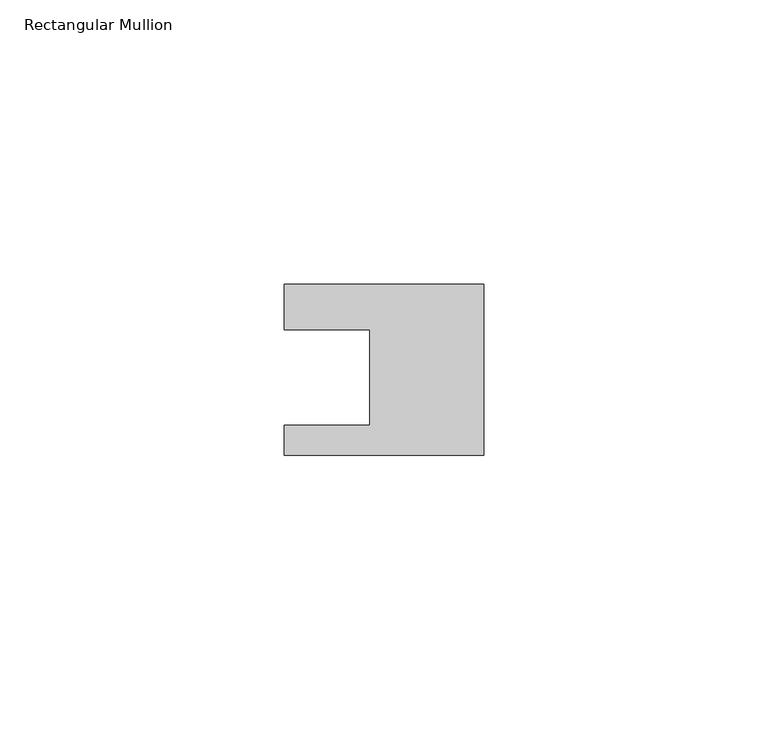
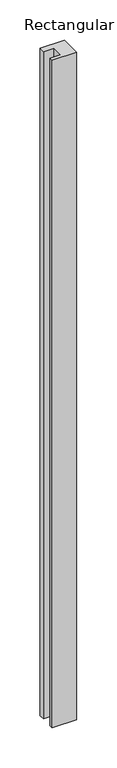
"""IFC4 building model written with IfcOpenShell, lengths in millimetres: member geometry, Rectangular Mullion."""

from ifc_helpers import new_model, si_unit, frame, origin, place, context, project, spatial, polyline, outline, extrude, source, transform, mapped, element, save


def rectangular_mullion_9fc929fa(model_context):
    return source(origin(), model_context, "Body", "SweptSolid", [
        extrude(outline(polyline([(0.0, 7.94), (0.0, -22.06), (-35.0, -22.06), (-35.0, -16.8), (-20.0, -16.8), (-20.0, 0.001), (-35.0, 0.001), (-35.0, 7.94), (0.0, 7.94)])), frame((0.0, 0.0, -1010.0), z_axis=(0.0, 0.0, 1.0), x_axis=(1.0, 0.0, 0.0)), (0.0, 0.0, 1.0), 1010.0),
    ])


if __name__ == "__main__":
    model = new_model("IFC4")
    model_context = context("Model", 3, world=origin())
    ifc_project = project(units=[si_unit("LENGTHUNIT", "METRE", prefix="MILLI")], contexts=[model_context])
    site = spatial("IfcSite", under=ifc_project)
    building = spatial("IfcBuilding", under=site)
    placement = place(None, origin())
    rectangular_mullion_shape = rectangular_mullion_9fc929fa(model_context)
    element("IfcMember", 1, ObjectType="Rectangular Mullion", at=placement, inside=building, context=model_context, shape_type="MappedRepresentation", body=[
        mapped(rectangular_mullion_shape, transform((0.0, 0.0, 0.0), x_axis=(1.0, 0.0, 0.0), y_axis=(0.0, 1.0, 0.0), z_axis=(0.0, 0.0, 1.0))),
    ])
    save(model, "model.ifc")
